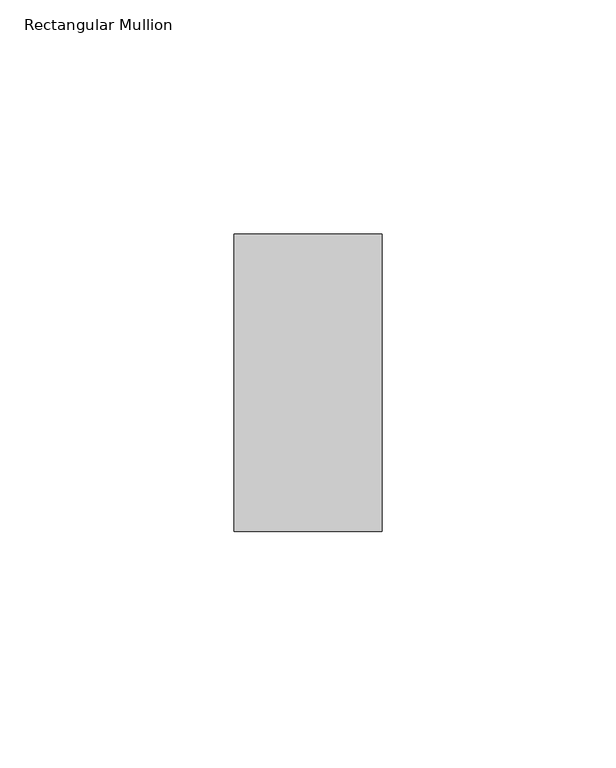
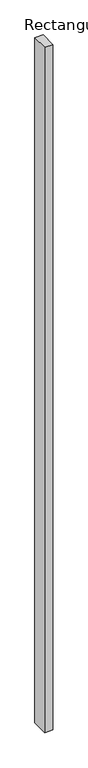
"""IFC4 building model written with IfcOpenShell, lengths in millimetres: member geometry, Rectangular Mullion."""

from ifc_helpers import new_model, si_unit, frame, origin, place, context, project, spatial, polyline, outline, extrude, source, transform, mapped, element, save


def rectangular_mullion_1a7f3129(model_context):
    return source(origin(), model_context, "Body", "SweptSolid", [
        extrude(outline(polyline([(-31.623, 31.7489583), (0.0, 31.7489583), (0.0, -31.7489583), (-31.623, -31.7489583), (-31.623, 31.7489583)])), frame((0.0, 0.0, -2743.2), z_axis=(0.0, 0.0, 1.0), x_axis=(1.0, 0.0, 0.0)), (0.0, 0.0, 1.0), 2743.2),
    ])


if __name__ == "__main__":
    model = new_model("IFC4")
    model_context = context("Model", 3, world=origin())
    ifc_project = project(units=[si_unit("LENGTHUNIT", "METRE", prefix="MILLI")], contexts=[model_context])
    site = spatial("IfcSite", under=ifc_project)
    building = spatial("IfcBuilding", under=site)
    placement = place(None, origin())
    rectangular_mullion_shape = rectangular_mullion_1a7f3129(model_context)
    element("IfcMember", 1, ObjectType="Rectangular Mullion", at=placement, inside=building, context=model_context, shape_type="MappedRepresentation", body=[
        mapped(rectangular_mullion_shape, transform((0.0, 0.0, 0.0), x_axis=(1.0, 0.0, 0.0), y_axis=(0.0, 1.0, 0.0), z_axis=(0.0, 0.0, 1.0))),
    ])
    save(model, "model.ifc")
